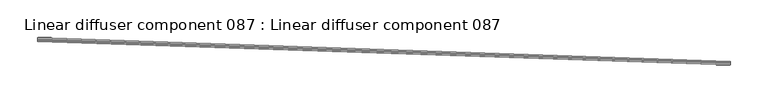
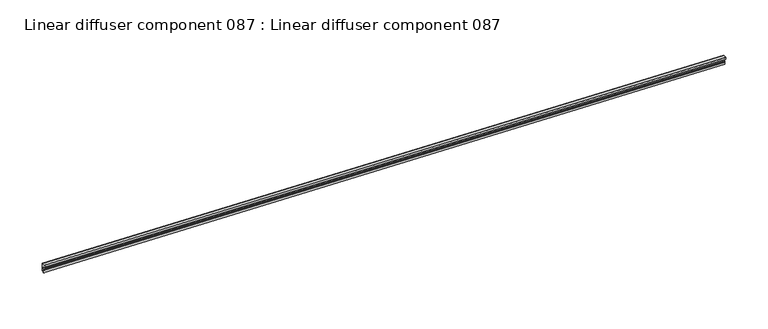
"""IFC4 building model written with IfcOpenShell, lengths in millimetres: proxy geometry, Linear diffuser component 087 : Linear diffuser component 087."""

from ifc_helpers import new_model, si_unit, origin, place, context, project, spatial, triangles, source, transform, mapped, element, save


def linear_diffuser_component_087_linear_diffuser_component_087_51c2a192(model_context):
    return source(origin(), model_context, "Body", "Tessellation", [
        triangles([(34302.673645, -16987.128241, 3053.0011391), (33388.8084961, -16955.8545685, 3053.0011391), (33388.8154724, -16955.6255127, 3052.6825539), (34302.6806213, -16986.8991852, 3052.6825539), (33388.8015198, -16956.0138611, 3052.6825539), (34302.6666687, -16987.2886963, 3052.6825539), (33388.8015198, -16956.0138611, 3049.3286888), (34302.6666687, -16987.2886963, 3049.3286888), (34302.6806213, -16986.8968597, 3048.9406311), (33388.8154724, -16955.6231873, 3048.9406311), (33388.850354, -16954.5988312, 3048.9406311), (34302.7155029, -16985.8736664, 3048.9406311), (33388.850354, -16954.5988312, 3049.7193626), (34302.7155029, -16985.8736664, 3049.7193626), (33388.9061646, -16953.0059052, 3049.7193626), (34302.7713135, -16984.2807404, 3049.7193626), (33388.9061646, -16953.0059052, 3059.7382278), (34302.7713135, -16984.2807404, 3059.7382278), (34302.7736389, -16984.1644684, 3059.7382278), (33388.90849, -16952.8896332, 3059.7382278), (33388.90849, -16952.8896332, 3060.5140526), (34302.7736389, -16984.1644684, 3060.5140526), (33388.7503601, -16957.561441, 3060.5140526), (34302.615509, -16988.8351135, 3060.5140526), (33388.7503601, -16957.561441, 3060.1259949), (34302.615509, -16988.8351135, 3060.1259949), (33388.7364075, -16957.9486267, 3060.1259949), (34302.6015564, -16989.2222992, 3060.1259949), (33388.7364075, -16957.9486267, 3058.1516968), (34302.6015564, -16989.2222992, 3058.1516968), (34302.615509, -16988.8153473, 3057.8336929), (33388.7503601, -16957.5416748, 3057.8336929), (33388.8201233, -16955.5255188, 3057.0014763), (34302.6829468, -16986.800354, 3057.0014763), (33388.8457031, -16954.7557983, 3055.1393806), (34302.7108521, -16986.0306335, 3055.1393806), (33388.8364014, -16955.0464783, 3053.9377098), (34302.7015503, -16986.3201508, 3053.9377098)], [[4, 1, 3], [2, 3, 1], [6, 4, 5], [3, 5, 4], [8, 6, 7], [5, 7, 6], [12, 9, 10], [10, 11, 12], [14, 12, 11], [11, 13, 14], [16, 14, 15], [13, 15, 14], [18, 16, 17], [15, 17, 16], [22, 19, 21], [20, 21, 19], [24, 22, 21], [21, 23, 24], [26, 24, 25], [23, 25, 24], [28, 26, 27], [25, 27, 26], [30, 28, 27], [27, 29, 30], [34, 31, 32], [32, 33, 34], [36, 34, 33], [33, 35, 36], [38, 36, 37], [35, 37, 36], [1, 38, 37], [37, 2, 1]], closed=False),
    ])


if __name__ == "__main__":
    model = new_model("IFC4")
    model_context = context("Model", 3, world=origin())
    ifc_project = project(units=[si_unit("LENGTHUNIT", "METRE", prefix="MILLI")], contexts=[model_context])
    site = spatial("IfcSite", under=ifc_project)
    building = spatial("IfcBuilding", under=site)
    placement = place(None, origin())
    linear_diffuser_component_087_linear_diffuser_component_087_shape = linear_diffuser_component_087_linear_diffuser_component_087_51c2a192(model_context)
    element("IfcBuildingElementProxy", 1, Name="Linear diffuser component 087 : Linear diffuser component 087", ObjectType="Linear diffuser component 087 : Linear diffuser component 087", at=placement, inside=building, context=model_context, shape_type="MappedRepresentation", body=[
        mapped(linear_diffuser_component_087_linear_diffuser_component_087_shape, transform((0.0, 0.0, 0.0), x_axis=(1.0, 0.0, 0.0), y_axis=(0.0, 1.0, 0.0), z_axis=(0.0, 0.0, 1.0))),
    ])
    save(model, "model.ifc")
